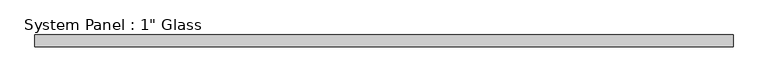
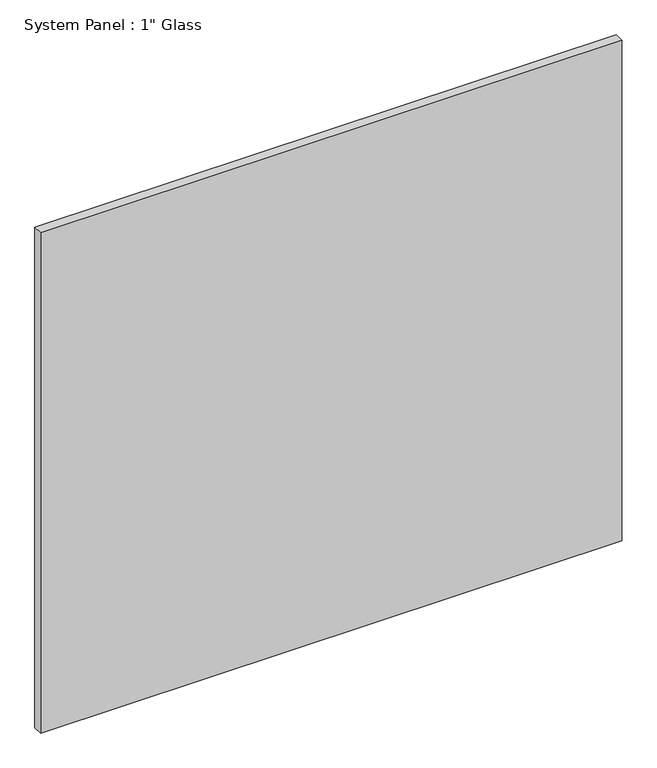
"""IFC4 building model written with IfcOpenShell, lengths in millimetres: plate geometry."""

from ifc_helpers import new_model, si_unit, origin, origin_with_axes, place, context, project, spatial, polyline, outline, extrude, source, transform, mapped, element, save


def plate_29f7cf68(model_context):
    return source(origin(), model_context, "Body", "SweptSolid", [
        extrude(outline(polyline([(759.2591185, -12.7), (-759.2591185, -12.7), (-759.2591185, 12.7), (759.2591185, 12.7), (759.2591185, -12.7)])), origin_with_axes(), (0.0, 0.0, 1.0), 1381.125),
    ])


if __name__ == "__main__":
    model = new_model("IFC4")
    model_context = context("Model", 3, world=origin())
    ifc_project = project(units=[si_unit("LENGTHUNIT", "METRE", prefix="MILLI")], contexts=[model_context])
    site = spatial("IfcSite", under=ifc_project)
    building = spatial("IfcBuilding", under=site)
    placement = place(None, origin())
    plate_shape = plate_29f7cf68(model_context)
    element("IfcPlate", 1, ObjectType="System Panel : 1\" Glass", at=placement, inside=building, context=model_context, shape_type="MappedRepresentation", body=[
        mapped(plate_shape, transform((0.0, 0.0, 0.0), x_axis=(1.0, 0.0, 0.0), y_axis=(0.0, 1.0, 0.0), z_axis=(0.0, 0.0, 1.0))),
    ])
    save(model, "model.ifc")
